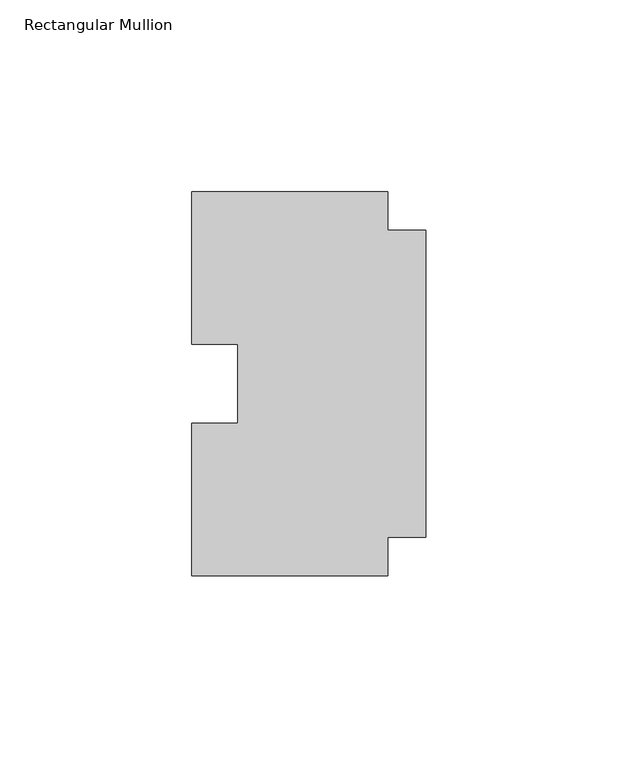
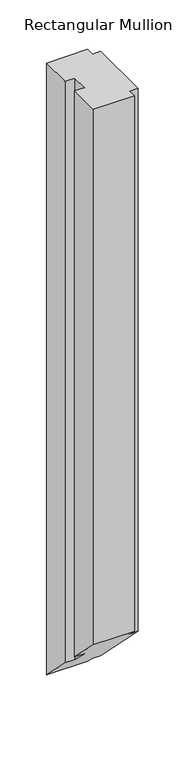
"""IFC4 building model written with IfcOpenShell, lengths in millimetres: member geometry, Rectangular Mullion."""

import ifcopenshell
import ifcopenshell.guid

model = None  # the IFC model being written
_history = None  # IfcOwnerHistory: only IFC2X3 demands one
_inside = {}  # id of a spatial element -> (the spatial element, [elements in it])
_under = {}  # id of a project, library or spatial element -> (it, [spatial elements below it])
_declared = {}  # id of a project -> (the project, [libraries it declares])
_typed = {}  # id of a type object -> (the type object, [elements of that type])
_made_of = {}  # id of a material, layer set ... -> (it, [elements and type objects made of it])


def new_model(schema):
    """Start an empty IFC model of exactly this schema.

    Asked for "IFC4X3", IfcOpenShell would pick the latest addendum, in which some entities
    have other attributes; the version numbers below select the first issue.
    IFC2X3 requires an IfcOwnerHistory on every rooted entity: one is made here for all.
    """
    global model, _history
    if schema == "IFC4X3":
        model = ifcopenshell.file(schema_version=(4, 3, 0, 0))
    else:
        model = ifcopenshell.file(schema=schema)
    _inside.clear()
    _under.clear()
    _declared.clear()
    _typed.clear()
    _made_of.clear()
    _history = None
    if model.schema == "IFC2X3":
        org = make("IfcOrganization", Name="unknown")
        user = make(
            "IfcPersonAndOrganization",
            ThePerson=make("IfcPerson", FamilyName="unknown"),
            TheOrganization=org,
        )
        app = make(
            "IfcApplication",
            ApplicationDeveloper=org,
            Version="unknown",
            ApplicationFullName="unknown",
            ApplicationIdentifier="unknown",
        )
        _history = make(
            "IfcOwnerHistory",
            OwningUser=user,
            OwningApplication=app,
            ChangeAction="ADDED",
            CreationDate=0,
        )
    return model


def make(cls, **values):
    """One entity of the class cls with the attributes given. An attribute that is None is left unset."""
    return model.create_entity(
        cls, **{name: value for name, value in values.items() if value is not None}
    )


def rooted(cls, **values):
    """An entity with a GlobalId (a new one), such as an element, a storey or a relation."""
    return make(cls, GlobalId=ifcopenshell.guid.new(), OwnerHistory=_history, **values)


def si_unit(unit_type, name, prefix=None):
    """IfcSIUnit, for example si_unit("LENGTHUNIT", "METRE", prefix="MILLI")."""
    return make("IfcSIUnit", UnitType=unit_type, Prefix=prefix, Name=name)


def assignment(units):
    """IfcUnitAssignment: the units of a project."""
    return None if units is None else make("IfcUnitAssignment", Units=units)


def point(xyz):
    """IfcCartesianPoint."""
    return None if xyz is None else make("IfcCartesianPoint", Coordinates=xyz)


def direction(xyz):
    """IfcDirection."""
    return None if xyz is None else make("IfcDirection", DirectionRatios=xyz)


def frame(location, z_axis=None, x_axis=None):
    """IfcAxis2Placement3D, a coordinate frame: its origin and axes. An axis left out is left unset."""
    return make(
        "IfcAxis2Placement3D",
        Location=point(location),
        Axis=direction(z_axis),
        RefDirection=direction(x_axis),
    )


def origin():
    """The frame at (0, 0, 0) with its axes left unset."""
    return frame((0.0, 0.0, 0.0))


def place(relative_to, where):
    """IfcLocalPlacement: puts the frame where relative to a parent placement (None: the world)."""
    return make(
        "IfcLocalPlacement", PlacementRelTo=relative_to, RelativePlacement=where
    )


def context(
    kind, dimensions, precision=None, world=None, true_north=None, identifier=None
):
    """IfcGeometricRepresentationContext, for example the 3D "Model" context."""
    return make(
        "IfcGeometricRepresentationContext",
        ContextIdentifier=identifier,
        ContextType=kind,
        CoordinateSpaceDimension=dimensions,
        Precision=precision,
        WorldCoordinateSystem=world,
        TrueNorth=true_north,
    )


def project(units=None, contexts=None):
    """IfcProject with its units and contexts."""
    return rooted(
        "IfcProject",
        Name="project",
        RepresentationContexts=contexts,
        UnitsInContext=assignment(units),
    )


def spatial(cls, under=None, at=None, **own):
    """A site, building, storey or space (cls), placed at a placement, below another one or the project."""
    s = rooted(cls, ObjectPlacement=at, **own)
    if under is not None:
        _under.setdefault(under.id(), (under, []))[1].append(s)
    return s


def faces_of(points, faces, orient=None, outer=None):
    """IfcFace entities. A face is a list of loops; a loop is a list of indices into points, from 0.

    orient and outer hold one flag for each loop. By default every Orientation is true, the
    first loop of a face is its IfcFaceOuterBound and the others are IfcFaceBound.
    """
    made = []
    for i, loops in enumerate(faces):
        bounds = []
        for j, loop in enumerate(loops):
            is_outer = j == 0 if outer is None else outer[i][j]
            bounds.append(
                make(
                    "IfcFaceOuterBound" if is_outer else "IfcFaceBound",
                    Bound=make("IfcPolyLoop", Polygon=[points[k] for k in loop]),
                    Orientation=True if orient is None else orient[i][j],
                )
            )
        made.append(make("IfcFace", Bounds=bounds))
    return made


def faceted_brep(points, faces, orient=None, outer=None, voids=None):
    """IfcFacetedBrep: a solid bounded by flat faces; with voids (closed shells), ...WithVoids."""
    shared = [point(p) for p in points]
    hull = make("IfcClosedShell", CfsFaces=faces_of(shared, faces, orient, outer))
    if voids is None:
        return make("IfcFacetedBrep", Outer=hull)
    return make(
        "IfcFacetedBrepWithVoids",
        Outer=hull,
        Voids=[
            make(cls, CfsFaces=faces_of(shared, fs, o, b)) for cls, fs, o, b in voids
        ],
    )


def shape(context_of_items, identifier, shape_type, items):
    """IfcShapeRepresentation: the items that make up one representation, for example the "Body"."""
    return make(
        "IfcShapeRepresentation",
        ContextOfItems=context_of_items,
        RepresentationIdentifier=identifier,
        RepresentationType=shape_type,
        Items=items,
    )


def source(mapping_origin, context_of_items, identifier, shape_type, items):
    """IfcRepresentationMap: a shape defined once, which mapped items show again and again."""
    return make(
        "IfcRepresentationMap",
        MappingOrigin=mapping_origin,
        MappedRepresentation=shape(context_of_items, identifier, shape_type, items),
    )


def transform(
    local_origin,
    x_axis=None,
    y_axis=None,
    z_axis=None,
    scale=None,
    scale2=None,
    scale3=None,
    uniform=True,
):
    """IfcCartesianTransformationOperator3D, or its non-uniform kind. x_axis, y_axis, z_axis: its Axis1, 2, 3."""
    if uniform:
        return make(
            "IfcCartesianTransformationOperator3D",
            Axis1=direction(x_axis),
            Axis2=direction(y_axis),
            LocalOrigin=point(local_origin),
            Scale=scale,
            Axis3=direction(z_axis),
        )
    return make(
        "IfcCartesianTransformationOperator3DnonUniform",
        Axis1=direction(x_axis),
        Axis2=direction(y_axis),
        LocalOrigin=point(local_origin),
        Scale=scale,
        Axis3=direction(z_axis),
        Scale2=scale2,
        Scale3=scale3,
    )


def mapped(mapping_source, mapping_target):
    """IfcMappedItem: shows the shape of a source again, moved by a transform."""
    return make(
        "IfcMappedItem", MappingSource=mapping_source, MappingTarget=mapping_target
    )


def made_of(thing, what):
    """Note that an element or type object is made of a material, layer set ...; save() writes the relation."""
    if what is not None:
        _made_of.setdefault(what.id(), (what, []))[1].append(thing)
    return thing


def element(
    cls,
    number,
    at=None,
    inside=None,
    cuts=None,
    type_object=None,
    material=None,
    context=None,
    identifier="Body",
    shape_type=None,
    held_by="IfcProductDefinitionShape",
    body=None,
    shapes=None,
    **own,
):
    """One element of the class cls, such as IfcWall. Its Tag is "e" and its number.

    at: its placement. inside: the storey or other place that contains it. cuts: it is an
    opening in that element (IfcRelVoidsElement). A single representation is given by context,
    identifier, shape_type and body (its items); several are given by shapes. held_by: the class
    of the entity that holds the representations. save() writes the other relations.
    """
    e = rooted(cls, Tag="e%d" % number, ObjectPlacement=at, **own)
    if body is not None:
        shapes = [shape(context, identifier, shape_type, body)]
    if shapes is not None:
        e.Representation = make(held_by, Representations=shapes)
    if inside is not None:
        _inside.setdefault(inside.id(), (inside, []))[1].append(e)
    if cuts is not None:
        rooted(
            "IfcRelVoidsElement", RelatingBuildingElement=cuts, RelatedOpeningElement=e
        )
    if type_object is not None:
        _typed.setdefault(type_object.id(), (type_object, []))[1].append(e)
    return made_of(e, material)


def aggregate(whole, parts):
    """IfcRelAggregates: a whole, such as a stair, and the parts it consists of."""
    return rooted("IfcRelAggregates", RelatingObject=whole, RelatedObjects=parts)


def save(model, path):
    """Write the relations noted so far, then the file.

    IfcRelAggregates (storeys below a building ...), IfcRelContainedInSpatialStructure (elements
    in a storey), IfcRelDefinesByType, IfcRelAssociatesMaterial and IfcRelDeclares: one each for
    every whole, place, type object, material and project.
    """
    for whole, parts in _under.values():
        aggregate(whole, parts)
    for where, things in _inside.values():
        rooted(
            "IfcRelContainedInSpatialStructure",
            RelatedElements=things,
            RelatingStructure=where,
        )
    for kind, things in _typed.values():
        rooted("IfcRelDefinesByType", RelatedObjects=things, RelatingType=kind)
    for what, things in _made_of.values():
        rooted("IfcRelAssociatesMaterial", RelatedObjects=things, RelatingMaterial=what)
    for by, libraries in _declared.values():
        rooted("IfcRelDeclares", RelatingContext=by, RelatedDefinitions=libraries)
    model.write(path)


def rectangular_mullion_a2600141(model_context):
    return source(origin(), model_context, "Body", "Brep", [
        faceted_brep([(-10.0, 40.0, 0.0), (-10.0, 50.0, 0.0), (-61.0, 50.0, 0.0), (-61.0, 10.25, 0.0), (-49.0, 10.25, 0.0), (-49.0, -10.25, 0.0), (-61.0, -10.25, 0.0), (-61.0, -50.0, 0.0), (-10.0, -50.0, 0.0), (-10.0, -40.0, 0.0), (0.0, -40.0, 0.0), (0.0, 40.0, 0.0), (-10.0, 40.0, -790.0), (-10.0, 50.0, -800.0), (-61.0, 50.0, -800.0), (-61.0, 10.25, -760.25), (-49.0, 10.25, -760.25), (-49.0, -10.25, -739.75), (-61.0, -10.25, -739.75), (-61.0, -50.0, -700.0), (-10.0, -50.0, -700.0), (-10.0, -40.0, -710.0), (0.0, -40.0, -710.0), (0.0, 40.0, -790.0)], [[[0, 1, 2, 3, 4, 5, 6, 7, 8, 9, 10, 11]], [[1, 0, 12, 13]], [[2, 1, 13, 14]], [[3, 2, 14, 15]], [[4, 3, 15, 16]], [[5, 4, 16, 17]], [[6, 5, 17, 18]], [[7, 6, 18, 19]], [[8, 7, 19, 20]], [[9, 8, 20, 21]], [[10, 9, 21, 22]], [[11, 10, 22, 23]], [[0, 11, 23, 12]], [[12, 23, 22, 21, 20, 19, 18, 17, 16, 15, 14, 13]]]),
    ])


if __name__ == "__main__":
    model = new_model("IFC4")
    model_context = context("Model", 3, world=origin())
    ifc_project = project(units=[si_unit("LENGTHUNIT", "METRE", prefix="MILLI")], contexts=[model_context])
    site = spatial("IfcSite", under=ifc_project)
    building = spatial("IfcBuilding", under=site)
    placement = place(None, origin())
    rectangular_mullion_shape = rectangular_mullion_a2600141(model_context)
    element("IfcMember", 1, ObjectType="Rectangular Mullion", at=placement, inside=building, context=model_context, shape_type="MappedRepresentation", body=[
        mapped(rectangular_mullion_shape, transform((0.0, 0.0, 0.0), x_axis=(1.0, 0.0, 0.0), y_axis=(0.0, 1.0, 0.0), z_axis=(0.0, 0.0, 1.0))),
    ])
    save(model, "model.ifc")
